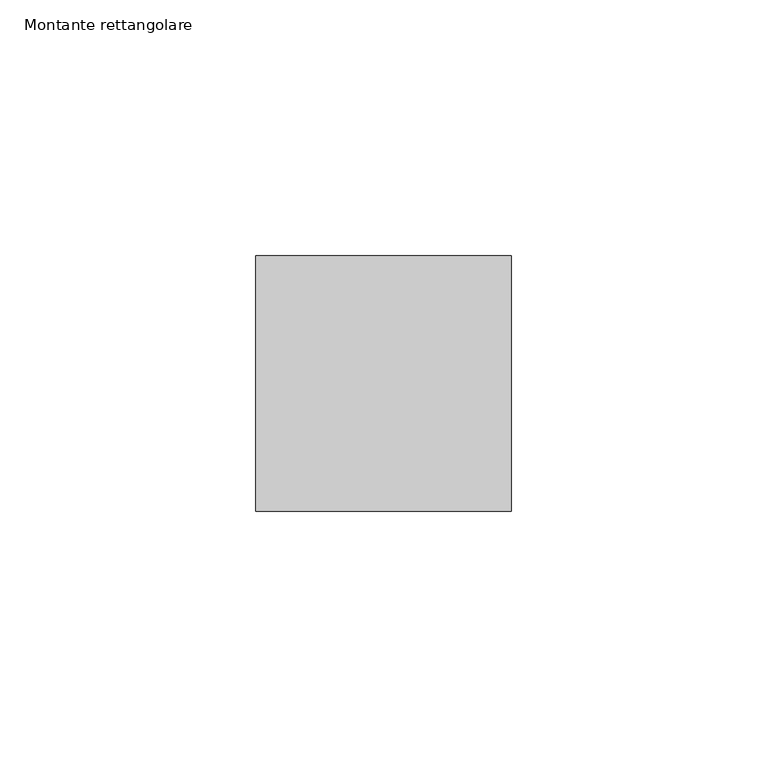
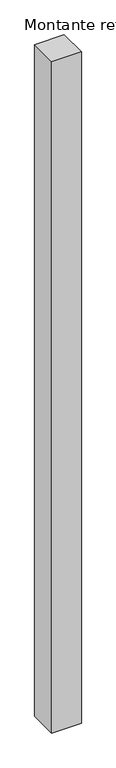
"""IFC4 building model written with IfcOpenShell, lengths in millimetres: member geometry, Montante rettangolare."""

from ifc_helpers import new_model, si_unit, frame, origin, place, context, project, spatial, polyline, outline, extrude, source, transform, mapped, element, save


def montante_rettangolare_82c0fb33(model_context):
    return source(origin(), model_context, "Body", "SweptSolid", [
        extrude(outline(polyline([(0.0, 25.0), (0.0, -25.0), (-50.0, -25.0), (-50.0, 25.0), (0.0, 25.0)])), frame((0.0, 0.0, -1200.0), z_axis=(0.0, 0.0, 1.0), x_axis=(1.0, 0.0, 0.0)), (0.0, 0.0, 1.0), 1200.0),
    ])


if __name__ == "__main__":
    model = new_model("IFC4")
    model_context = context("Model", 3, world=origin())
    ifc_project = project(units=[si_unit("LENGTHUNIT", "METRE", prefix="MILLI")], contexts=[model_context])
    site = spatial("IfcSite", under=ifc_project)
    building = spatial("IfcBuilding", under=site)
    placement = place(None, origin())
    montante_rettangolare_shape = montante_rettangolare_82c0fb33(model_context)
    element("IfcMember", 1, ObjectType="Montante rettangolare", at=placement, inside=building, context=model_context, shape_type="MappedRepresentation", body=[
        mapped(montante_rettangolare_shape, transform((0.0, 0.0, 0.0), x_axis=(1.0, 0.0, 0.0), y_axis=(0.0, 1.0, 0.0), z_axis=(0.0, 0.0, 1.0))),
    ])
    save(model, "model.ifc")
